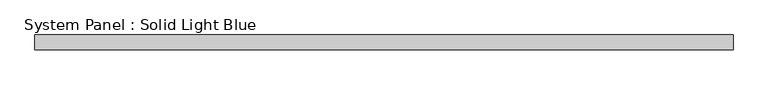
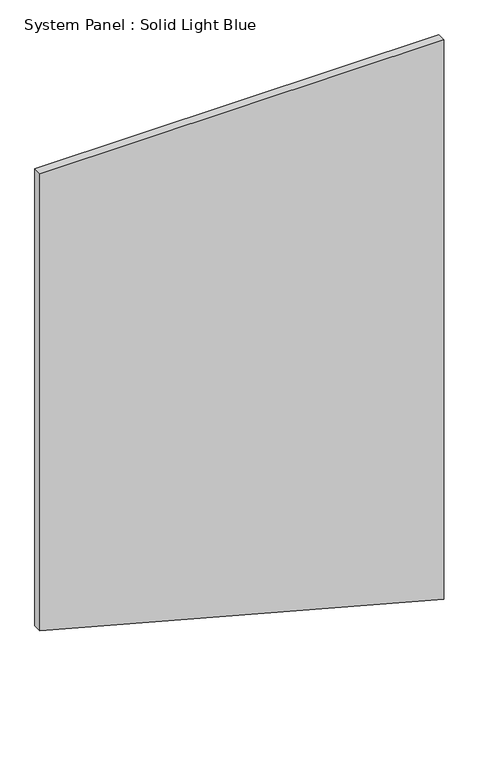
"""IFC4 building model written with IfcOpenShell, lengths in millimetres: plate geometry, System Panel : Solid Light Blue."""

from ifc_helpers import new_model, si_unit, frame, origin, place, context, project, spatial, polyline, outline, extrude, source, transform, mapped, element, save


def system_panel_solid_light_blue_a53260cd(model_context):
    return source(origin(), model_context, "Body", "SweptSolid", [
        extrude(outline(polyline([(763.6551984, -1425.0), (0.0, 1425.0), (4173.3090139, 1425.0), (4173.3090139, -1425.0), (763.6551984, -1425.0)])), frame((0.0, -30.0, 0.0), z_axis=(0.0, 1.0, 0.0), x_axis=(0.0, 0.0, 1.0)), (0.0, 0.0, 1.0), 60.0),
    ])


if __name__ == "__main__":
    model = new_model("IFC4")
    model_context = context("Model", 3, world=origin())
    ifc_project = project(units=[si_unit("LENGTHUNIT", "METRE", prefix="MILLI")], contexts=[model_context])
    site = spatial("IfcSite", under=ifc_project)
    building = spatial("IfcBuilding", under=site)
    placement = place(None, origin())
    system_panel_solid_light_blue_shape = system_panel_solid_light_blue_a53260cd(model_context)
    element("IfcPlate", 1, ObjectType="System Panel : Solid Light Blue", at=placement, inside=building, context=model_context, shape_type="MappedRepresentation", body=[
        mapped(system_panel_solid_light_blue_shape, transform((0.0, 0.0, 0.0), x_axis=(1.0, 0.0, 0.0), y_axis=(0.0, 1.0, 0.0), z_axis=(0.0, 0.0, 1.0))),
    ])
    save(model, "model.ifc")
